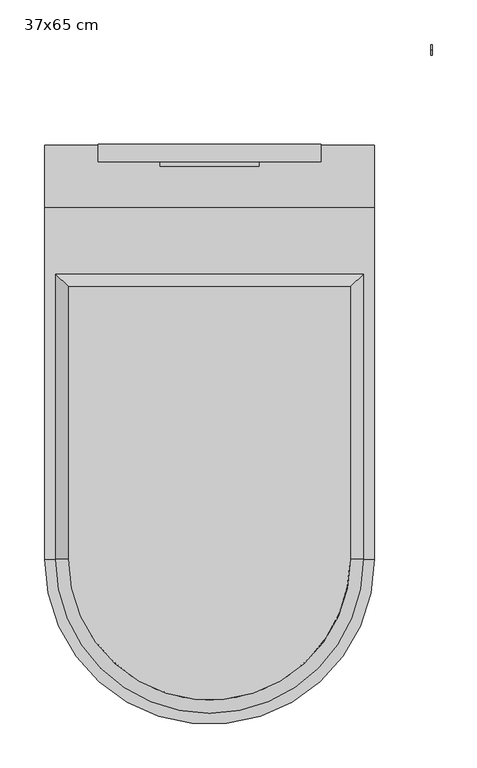
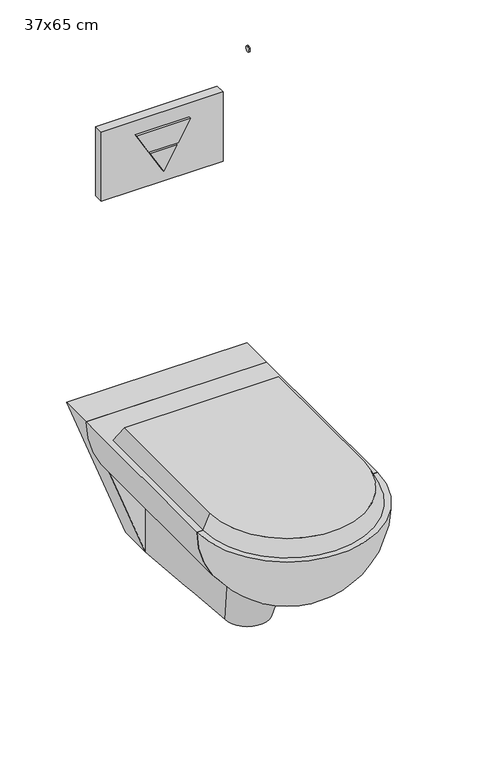
"""IFC4 building model written with IfcOpenShell, lengths in millimetres: flow terminal geometry, 37x65 cm."""

from ifc_helpers import new_model, si_unit, point, frame, frame_2d, origin, place, context, project, spatial, polyline, circle_curve, ellipse_curve, trimmed, segment, composite_curve, outline, extrude, source, transform, mapped, element, save
from ifc_brep_helpers import plane_surface, revolved_surface, spline_surface, advanced_brep


def flow_terminal_37x65_cm_d167b523(model_context):
    return source(origin(), model_context, "Body", "SolidModel", [
        extrude(outline(composite_curve([segment(trimmed(circle_curve(frame_2d((105.5, 918.0)), 6.0), [point((105.5, 912.0))], [point((105.5, 924.0))], False, "CARTESIAN"), True, "CONTINUOUS"), segment(trimmed(circle_curve(frame_2d((105.5, 918.0)), 6.0), [point((105.5, 924.0))], [point((105.5, 912.0))], False, "CARTESIAN"), True, "CONTINUOUS")], self_intersect=False)), frame((248.0, 0.0, 0.0), z_axis=(1.0, 0.0, 0.0), x_axis=(0.0, 1.0, 0.0)), (0.0, 0.0, 1.0), 2.0),
        extrude(outline(polyline([(914.0, 55.4118563), (914.0, -55.4118563), (870.4569939, -30.1873925), (870.4569939, 30.1873925), (914.0, 55.4118563)])), frame((0.0, -25.0, 0.0), z_axis=(0.0, 1.0, 0.0), x_axis=(0.0, 0.0, 1.0)), (0.0, 0.0, 1.0), 5.0),
        extrude(outline(polyline([(866.1734373, -27.7059281), (818.3468746, 0.0), (866.1734373, 27.7059281), (866.1734373, -27.7059281)])), frame((0.0, -25.0, 0.0), z_axis=(0.0, 1.0, 0.0), x_axis=(0.0, 0.0, 1.0)), (0.0, 0.0, 1.0), 5.0),
        extrude(outline(polyline([(125.0, -20.0), (-125.0, -20.0), (-125.0, 0.0), (125.0, 0.0), (125.0, -20.0)])), frame((0.0, 0.0, 794.0), z_axis=(0.0, 0.0, 1.0), x_axis=(1.0, 0.0, 0.0)), (0.0, 0.0, 1.0), 150.0),
        extrude(outline(composite_curve([segment(trimmed(circle_curve(frame_2d((368.0, 0.0)), 185.0), [point((368.0, -185.0))], [point((183.0, 0.0))], False, "CARTESIAN"), True, "CONTINUOUS"), segment(trimmed(circle_curve(frame_2d((368.0, 0.0)), 185.0), [point((183.0, 0.0))], [point((368.0, 185.0))], False, "CARTESIAN"), True, "CONTINUOUS"), segment(polyline([(368.0, 185.0), (368.0, -185.0)]), True, "CONTINUOUS")], self_intersect=False)), frame((0.0, -465.0, 0.0), z_axis=(0.0, 1.0, 0.0), x_axis=(0.0, 0.0, 1.0)), (0.0, 0.0, 1.0), 394.0),
        advanced_brep(
        [(0.0, -465.0, 183.0), (0.0, -465.0, 368.0), (185.0, -465.0, 368.0), (-185.0, -465.0, 368.0)],
        [
            (0, 1),
            (1, 2),
            (2, 0, circle_curve(frame((0.0, -465.0, 368.0), z_axis=(0.0, 1.0, 0.0), x_axis=(-1.0, 0.0, 0.0)), 185.0)),
            (0, 3, circle_curve(frame((0.0, -465.0, 368.0), z_axis=(0.0, 1.0, 0.0), x_axis=(1.0, 0.0, 0.0)), 185.0)),
            (3, 1),
            (3, 2, circle_curve(frame((0.0, -465.0, 368.0), z_axis=(0.0, 0.0, 1.0), x_axis=(1.0, 0.0, 0.0)), 185.0)),
        ],
        [
            plane_surface(frame((0.0, -465.0, 144.6737292), z_axis=(0.0, 1.0, 0.0), x_axis=(1.0, 0.0, 0.0))),
            plane_surface(frame((0.0, -465.0, 144.6737292), z_axis=(0.0, 1.0, 0.0), x_axis=(-1.0, 0.0, 0.0))),
            plane_surface(frame((0.0, -465.0, 368.0), z_axis=(0.0, 0.0, 1.0), x_axis=(1.0, 0.0, 0.0))),
            revolved_surface(trimmed(ellipse_curve(frame((0.0, -465.0, 368.0), z_axis=(0.0, 1.0, 0.0), x_axis=(-1.0, 0.0, 0.0)), 185.0, 185.0), [point((185.0, -465.0, 368.0))], [point((0.0, -465.0, 183.0))], True, "CARTESIAN"), (0.0, -465.0, 144.6737292), (0.0, 0.0, -1.0)),
        ],
        [
            (0, [[1, 2, 3]]),
            (1, [[4, 5, -1]]),
            (2, [[6, -2, -5]]),
            (3, [[-3, -6, -4]]),
        ],
    ),
        extrude(outline(composite_curve([segment(trimmed(circle_curve(frame_2d((154.0, 0.0)), 50.0), [point((154.0, -50.0))], [point((154.0, 50.0))], False, "CARTESIAN"), True, "CONTINUOUS"), segment(trimmed(circle_curve(frame_2d((154.0, 0.0)), 50.0), [point((154.0, 50.0))], [point((154.0, -50.0))], False, "CARTESIAN"), True, "CONTINUOUS")], self_intersect=False)), frame((0.0, -1.0, 0.0), z_axis=(0.0, 1.0, 0.0), x_axis=(0.0, 0.0, 1.0)), (0.0, 0.0, 1.0), 1.0),
        extrude(outline(polyline([(44.0, -63.7931034), (44.0, 63.7931034), (368.0, 185.0), (368.0, -185.0), (44.0, -63.7931034)])), frame((0.0, -71.0, 0.0), z_axis=(0.0, 1.0, 0.0), x_axis=(0.0, 0.0, 1.0)), (0.0, 0.0, 1.0), 70.0),
        advanced_brep(
        [(-158.0, -465.0, 400.0), (158.0, -465.0, 400.0), (158.0, -160.0, 400.0), (-158.0, -160.0, 400.0), (-173.0, -465.0, 368.0), (-173.0, -145.0, 368.0), (173.0, -145.0, 368.0), (173.0, -465.0, 368.0)],
        [
            (0, 1, circle_curve(frame((0.0, -465.0, 400.0), z_axis=(0.0, 0.0, 1.0), x_axis=(-1.0, 0.0, 0.0)), 158.0)),
            (1, 2),
            (2, 3),
            (3, 0),
            (4, 5),
            (5, 6),
            (6, 7),
            (7, 4, circle_curve(frame((0.0, -465.0, 368.0), z_axis=(0.0, 0.0, -1.0), x_axis=(-1.0, 0.0, 0.0)), 173.0)),
            (7, 1),
            (0, 4),
            (6, 2),
            (5, 3),
        ],
        [
            plane_surface(frame((0.0, -312.5, 400.0), z_axis=(0.0, 0.0, 1.0), x_axis=(0.0, -1.0, 0.0))),
            plane_surface(frame((0.0, -305.0, 368.0), z_axis=(0.0, 0.0, -1.0), x_axis=(0.0, -1.0, 0.0))),
            revolved_surface(polyline([(-158.00000000135478, -465.0, 400.0), (-173.0, -465.0, 368.0)]), (0.0, -465.0, 737.0666667), (0.0, 0.0, -1.0)),
            plane_surface(frame((173.0, -305.0, 368.0), z_axis=(0.9054589359588644, 0.0, 0.4244338762307282), x_axis=(0.0, 1.0, 0.0))),
            plane_surface(frame((0.0, -145.0, 368.0), z_axis=(0.0, 0.9054589359588641, 0.424433876230729), x_axis=(-1.0, 0.0, 0.0))),
            plane_surface(frame((-173.0, -305.0, 368.0), z_axis=(-0.9054589359588644, 0.0, 0.42443387623072815), x_axis=(0.0, -1.0, 0.0))),
        ],
        [
            (0, [[1, 2, 3, 4]]),
            (1, [[5, 6, 7, 8]]),
            (2, [[-8, 9, -1, 10]]),
            (3, [[-7, 11, -2, -9]]),
            (4, [[-6, 12, -3, -11]]),
            (5, [[-5, -10, -4, -12]]),
        ],
    ),
        advanced_brep(
        [(-63.7931034, -369.5402299, 215.0), (63.7931034, -369.5402299, 215.0), (63.7931034, -71.0, 215.0), (-63.7931034, -71.0, 215.0), (-45.7183908, -322.6149425, 44.0), (-63.7931034, -71.0, 44.0), (63.7931034, -71.0, 44.0), (45.7183908, -322.6149425, 44.0)],
        [
            (0, 1, circle_curve(frame((0.0, -369.5402299, 215.0), z_axis=(0.0, 0.0, 1.0), x_axis=(1.0, 0.0, 0.0)), 63.7931034)),
            (1, 2),
            (2, 3),
            (3, 0),
            (4, 5),
            (5, 6),
            (6, 7),
            (7, 4, circle_curve(frame((0.0, -322.6149425, 44.0), z_axis=(0.0, 0.0, -1.0), x_axis=(1.0, 0.0, 0.0)), 45.7183908)),
            (7, 1),
            (0, 4),
            (6, 2),
            (5, 3),
        ],
        [
            plane_surface(frame((0.0, -220.2701149, 215.0), z_axis=(0.0, 0.0, 1.0), x_axis=(0.0, -1.0, 0.0))),
            plane_surface(frame((0.0, -196.8074713, 44.0), z_axis=(0.0, 0.0, -1.0), x_axis=(0.0, -1.0, 0.0))),
            spline_surface(2, 1, [[(-45.7183908, -322.6149425, 44.0), (-63.7931034, -369.5402299, 215.0)], [(-45.7183908, -368.3333333, 44.0), (-63.7931034, -433.3333333, 215.0)], [(0.0, -368.3333333, 44.0), (0.0, -433.3333333, 215.0)], [(45.7183908, -368.3333333, 44.0), (63.7931034, -433.3333333, 215.0)], [(45.7183908, -322.6149425, 44.0), (63.7931034, -369.5402299, 215.0)]], [3, 2, 3], [2, 2], [0.0, 1.0, 2.0], [0.0, 1.0], weights=[[1.0, 1.0], [0.7071067811865476, 0.7071067811865476], [1.0, 1.0], [0.7071067811865476, 0.7071067811865476], [1.0, 1.0]]),
            spline_surface(1, 1, [[(45.7183908, -322.6149425, 44.0), (63.7931034, -369.5402299, 215.0)], [(63.7931034, -71.0, 44.0), (63.7931034, -71.0, 215.0)]], [2, 2], [2, 2], [0.0, 1.0], [0.0, 1.0]),
            plane_surface(frame((0.0, -71.0, 44.0), z_axis=(0.0, 1.0, 0.0), x_axis=(-1.0, 0.0, 0.0))),
            spline_surface(1, 1, [[(-63.7931034, -71.0, 44.0), (-63.7931034, -71.0, 215.0)], [(-45.7183908, -322.6149425, 44.0), (-63.7931034, -369.5402299, 215.0)]], [2, 2], [2, 2], [0.0, 1.0], [0.0, 1.0]),
        ],
        [
            (0, [[1, 2, 3, 4]]),
            (1, [[5, 6, 7, 8]]),
            (2, [[-8, 9, -1, 10]]),
            (3, [[-7, 11, -2, -9]]),
            (4, [[-6, 12, -3, -11]]),
            (5, [[-5, -10, -4, -12]]),
        ],
    ),
    ])


if __name__ == "__main__":
    model = new_model("IFC4")
    model_context = context("Model", 3, world=origin())
    ifc_project = project(units=[si_unit("LENGTHUNIT", "METRE", prefix="MILLI")], contexts=[model_context])
    site = spatial("IfcSite", under=ifc_project)
    building = spatial("IfcBuilding", under=site)
    placement = place(None, origin())
    flow_terminal_37x65_cm_shape = flow_terminal_37x65_cm_d167b523(model_context)
    element("IfcFlowTerminal", 1, ObjectType="37x65 cm", at=placement, inside=building, context=model_context, shape_type="MappedRepresentation", body=[
        mapped(flow_terminal_37x65_cm_shape, transform((0.0, 0.0, 0.0), x_axis=(1.0, 0.0, 0.0), y_axis=(0.0, 1.0, 0.0), z_axis=(0.0, 0.0, 1.0))),
    ])
    save(model, "model.ifc")
